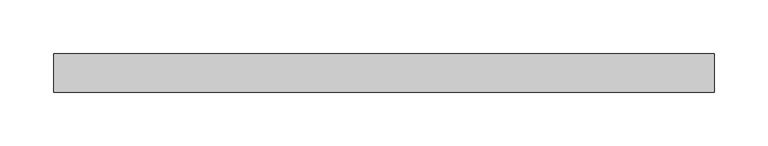
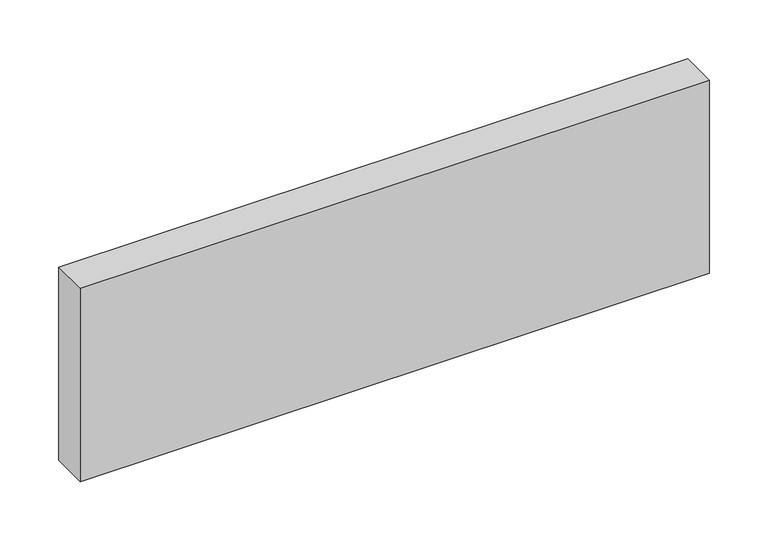
"""IFC4 building model written with IfcOpenShell, lengths in millimetres: beam geometry."""

import ifcopenshell
import ifcopenshell.guid

model = None  # the IFC model being written
_history = None  # IfcOwnerHistory: only IFC2X3 demands one
_inside = {}  # id of a spatial element -> (the spatial element, [elements in it])
_under = {}  # id of a project, library or spatial element -> (it, [spatial elements below it])
_declared = {}  # id of a project -> (the project, [libraries it declares])
_typed = {}  # id of a type object -> (the type object, [elements of that type])
_made_of = {}  # id of a material, layer set ... -> (it, [elements and type objects made of it])


def new_model(schema):
    """Start an empty IFC model of exactly this schema.

    Asked for "IFC4X3", IfcOpenShell would pick the latest addendum, in which some entities
    have other attributes; the version numbers below select the first issue.
    IFC2X3 requires an IfcOwnerHistory on every rooted entity: one is made here for all.
    """
    global model, _history
    if schema == "IFC4X3":
        model = ifcopenshell.file(schema_version=(4, 3, 0, 0))
    else:
        model = ifcopenshell.file(schema=schema)
    _inside.clear()
    _under.clear()
    _declared.clear()
    _typed.clear()
    _made_of.clear()
    _history = None
    if model.schema == "IFC2X3":
        org = make("IfcOrganization", Name="unknown")
        user = make(
            "IfcPersonAndOrganization",
            ThePerson=make("IfcPerson", FamilyName="unknown"),
            TheOrganization=org,
        )
        app = make(
            "IfcApplication",
            ApplicationDeveloper=org,
            Version="unknown",
            ApplicationFullName="unknown",
            ApplicationIdentifier="unknown",
        )
        _history = make(
            "IfcOwnerHistory",
            OwningUser=user,
            OwningApplication=app,
            ChangeAction="ADDED",
            CreationDate=0,
        )
    return model


def make(cls, **values):
    """One entity of the class cls with the attributes given. An attribute that is None is left unset."""
    return model.create_entity(
        cls, **{name: value for name, value in values.items() if value is not None}
    )


def rooted(cls, **values):
    """An entity with a GlobalId (a new one), such as an element, a storey or a relation."""
    return make(cls, GlobalId=ifcopenshell.guid.new(), OwnerHistory=_history, **values)


def si_unit(unit_type, name, prefix=None):
    """IfcSIUnit, for example si_unit("LENGTHUNIT", "METRE", prefix="MILLI")."""
    return make("IfcSIUnit", UnitType=unit_type, Prefix=prefix, Name=name)


def assignment(units):
    """IfcUnitAssignment: the units of a project."""
    return None if units is None else make("IfcUnitAssignment", Units=units)


def point(xyz):
    """IfcCartesianPoint."""
    return None if xyz is None else make("IfcCartesianPoint", Coordinates=xyz)


def direction(xyz):
    """IfcDirection."""
    return None if xyz is None else make("IfcDirection", DirectionRatios=xyz)


def frame(location, z_axis=None, x_axis=None):
    """IfcAxis2Placement3D, a coordinate frame: its origin and axes. An axis left out is left unset."""
    return make(
        "IfcAxis2Placement3D",
        Location=point(location),
        Axis=direction(z_axis),
        RefDirection=direction(x_axis),
    )


def origin():
    """The frame at (0, 0, 0) with its axes left unset."""
    return frame((0.0, 0.0, 0.0))


def place(relative_to, where):
    """IfcLocalPlacement: puts the frame where relative to a parent placement (None: the world)."""
    return make(
        "IfcLocalPlacement", PlacementRelTo=relative_to, RelativePlacement=where
    )


def context(
    kind, dimensions, precision=None, world=None, true_north=None, identifier=None
):
    """IfcGeometricRepresentationContext, for example the 3D "Model" context."""
    return make(
        "IfcGeometricRepresentationContext",
        ContextIdentifier=identifier,
        ContextType=kind,
        CoordinateSpaceDimension=dimensions,
        Precision=precision,
        WorldCoordinateSystem=world,
        TrueNorth=true_north,
    )


def project(units=None, contexts=None):
    """IfcProject with its units and contexts."""
    return rooted(
        "IfcProject",
        Name="project",
        RepresentationContexts=contexts,
        UnitsInContext=assignment(units),
    )


def spatial(cls, under=None, at=None, **own):
    """A site, building, storey or space (cls), placed at a placement, below another one or the project."""
    s = rooted(cls, ObjectPlacement=at, **own)
    if under is not None:
        _under.setdefault(under.id(), (under, []))[1].append(s)
    return s


def polyline(points):
    """IfcPolyline through the points."""
    return make("IfcPolyline", Points=[point(p) for p in points])


def outline(outer, holes=None, kind="AREA"):
    """IfcArbitraryClosedProfileDef: a profile drawn as a closed curve; with holes, ...WithVoids."""
    if holes is None:
        return make("IfcArbitraryClosedProfileDef", ProfileType=kind, OuterCurve=outer)
    return make(
        "IfcArbitraryProfileDefWithVoids",
        ProfileType=kind,
        OuterCurve=outer,
        InnerCurves=holes,
    )


def extrude(swept, where, along, depth):
    """IfcExtrudedAreaSolid: the profile swept, set in the frame where, extruded along a direction by depth."""
    return make(
        "IfcExtrudedAreaSolid",
        SweptArea=swept,
        Position=where,
        ExtrudedDirection=direction(along),
        Depth=depth,
    )


def shape(context_of_items, identifier, shape_type, items):
    """IfcShapeRepresentation: the items that make up one representation, for example the "Body"."""
    return make(
        "IfcShapeRepresentation",
        ContextOfItems=context_of_items,
        RepresentationIdentifier=identifier,
        RepresentationType=shape_type,
        Items=items,
    )


def source(mapping_origin, context_of_items, identifier, shape_type, items):
    """IfcRepresentationMap: a shape defined once, which mapped items show again and again."""
    return make(
        "IfcRepresentationMap",
        MappingOrigin=mapping_origin,
        MappedRepresentation=shape(context_of_items, identifier, shape_type, items),
    )


def transform(
    local_origin,
    x_axis=None,
    y_axis=None,
    z_axis=None,
    scale=None,
    scale2=None,
    scale3=None,
    uniform=True,
):
    """IfcCartesianTransformationOperator3D, or its non-uniform kind. x_axis, y_axis, z_axis: its Axis1, 2, 3."""
    if uniform:
        return make(
            "IfcCartesianTransformationOperator3D",
            Axis1=direction(x_axis),
            Axis2=direction(y_axis),
            LocalOrigin=point(local_origin),
            Scale=scale,
            Axis3=direction(z_axis),
        )
    return make(
        "IfcCartesianTransformationOperator3DnonUniform",
        Axis1=direction(x_axis),
        Axis2=direction(y_axis),
        LocalOrigin=point(local_origin),
        Scale=scale,
        Axis3=direction(z_axis),
        Scale2=scale2,
        Scale3=scale3,
    )


def mapped(mapping_source, mapping_target):
    """IfcMappedItem: shows the shape of a source again, moved by a transform."""
    return make(
        "IfcMappedItem", MappingSource=mapping_source, MappingTarget=mapping_target
    )


def made_of(thing, what):
    """Note that an element or type object is made of a material, layer set ...; save() writes the relation."""
    if what is not None:
        _made_of.setdefault(what.id(), (what, []))[1].append(thing)
    return thing


def element(
    cls,
    number,
    at=None,
    inside=None,
    cuts=None,
    type_object=None,
    material=None,
    context=None,
    identifier="Body",
    shape_type=None,
    held_by="IfcProductDefinitionShape",
    body=None,
    shapes=None,
    **own,
):
    """One element of the class cls, such as IfcWall. Its Tag is "e" and its number.

    at: its placement. inside: the storey or other place that contains it. cuts: it is an
    opening in that element (IfcRelVoidsElement). A single representation is given by context,
    identifier, shape_type and body (its items); several are given by shapes. held_by: the class
    of the entity that holds the representations. save() writes the other relations.
    """
    e = rooted(cls, Tag="e%d" % number, ObjectPlacement=at, **own)
    if body is not None:
        shapes = [shape(context, identifier, shape_type, body)]
    if shapes is not None:
        e.Representation = make(held_by, Representations=shapes)
    if inside is not None:
        _inside.setdefault(inside.id(), (inside, []))[1].append(e)
    if cuts is not None:
        rooted(
            "IfcRelVoidsElement", RelatingBuildingElement=cuts, RelatedOpeningElement=e
        )
    if type_object is not None:
        _typed.setdefault(type_object.id(), (type_object, []))[1].append(e)
    return made_of(e, material)


def aggregate(whole, parts):
    """IfcRelAggregates: a whole, such as a stair, and the parts it consists of."""
    return rooted("IfcRelAggregates", RelatingObject=whole, RelatedObjects=parts)


def save(model, path):
    """Write the relations noted so far, then the file.

    IfcRelAggregates (storeys below a building ...), IfcRelContainedInSpatialStructure (elements
    in a storey), IfcRelDefinesByType, IfcRelAssociatesMaterial and IfcRelDeclares: one each for
    every whole, place, type object, material and project.
    """
    for whole, parts in _under.values():
        aggregate(whole, parts)
    for where, things in _inside.values():
        rooted(
            "IfcRelContainedInSpatialStructure",
            RelatedElements=things,
            RelatingStructure=where,
        )
    for kind, things in _typed.values():
        rooted("IfcRelDefinesByType", RelatedObjects=things, RelatingType=kind)
    for what, things in _made_of.values():
        rooted("IfcRelAssociatesMaterial", RelatedObjects=things, RelatingMaterial=what)
    for by, libraries in _declared.values():
        rooted("IfcRelDeclares", RelatingContext=by, RelatedDefinitions=libraries)
    model.write(path)


def beam_977d370b(model_context):
    return source(origin(), model_context, "Body", "SweptSolid", [
        extrude(outline(polyline([(307.8, -18.0), (-307.8, -18.0), (-307.8, 18.0), (307.8, 18.0), (307.8, -18.0)])), frame((0.0, 0.0, -100.0), z_axis=(0.0, 0.0, 1.0), x_axis=(1.0, 0.0, 0.0)), (0.0, 0.0, 1.0), 200.0),
    ])


if __name__ == "__main__":
    model = new_model("IFC4")
    model_context = context("Model", 3, world=origin())
    ifc_project = project(units=[si_unit("LENGTHUNIT", "METRE", prefix="MILLI")], contexts=[model_context])
    site = spatial("IfcSite", under=ifc_project)
    building = spatial("IfcBuilding", under=site)
    placement = place(None, origin())
    beam_shape = beam_977d370b(model_context)
    element("IfcBeam", 1, at=placement, inside=building, context=model_context, shape_type="MappedRepresentation", body=[
        mapped(beam_shape, transform((0.0, 0.0, 0.0), x_axis=(1.0, 0.0, 0.0), y_axis=(0.0, 1.0, 0.0), z_axis=(0.0, 0.0, 1.0))),
    ])
    save(model, "model.ifc")
